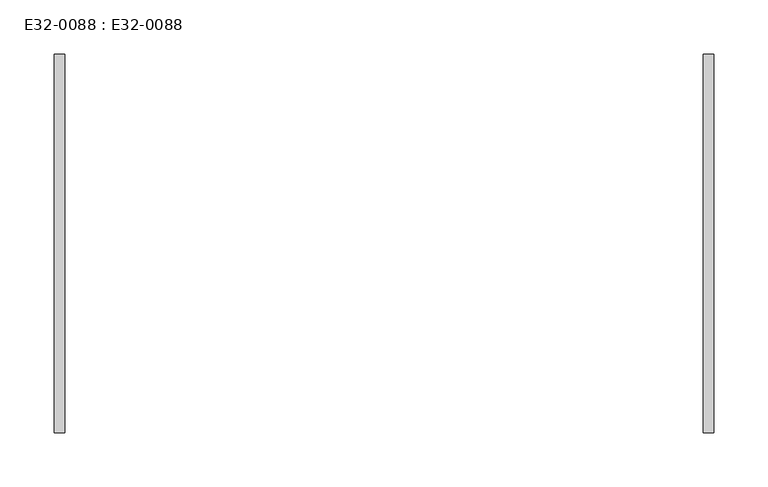
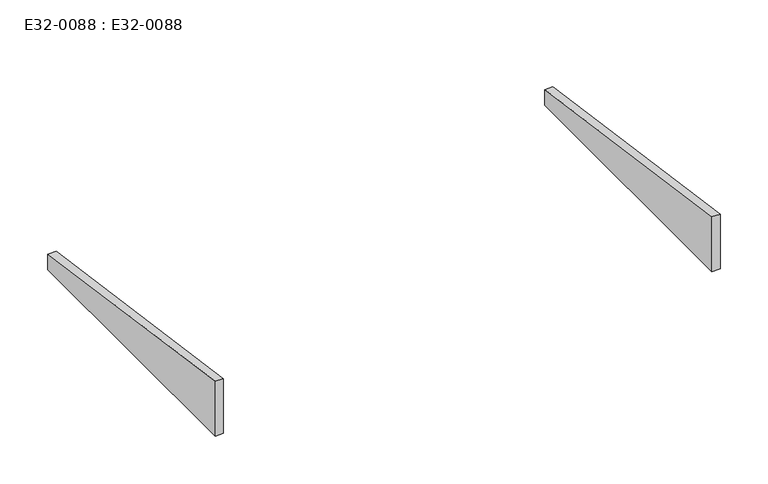
"""IFC4 building model written with IfcOpenShell, lengths in millimetres: furniture geometry, E32-0088 : E32-0088."""

import ifcopenshell
import ifcopenshell.guid

model = None  # the IFC model being written
_history = None  # IfcOwnerHistory: only IFC2X3 demands one
_inside = {}  # id of a spatial element -> (the spatial element, [elements in it])
_under = {}  # id of a project, library or spatial element -> (it, [spatial elements below it])
_declared = {}  # id of a project -> (the project, [libraries it declares])
_typed = {}  # id of a type object -> (the type object, [elements of that type])
_made_of = {}  # id of a material, layer set ... -> (it, [elements and type objects made of it])


def new_model(schema):
    """Start an empty IFC model of exactly this schema.

    Asked for "IFC4X3", IfcOpenShell would pick the latest addendum, in which some entities
    have other attributes; the version numbers below select the first issue.
    IFC2X3 requires an IfcOwnerHistory on every rooted entity: one is made here for all.
    """
    global model, _history
    if schema == "IFC4X3":
        model = ifcopenshell.file(schema_version=(4, 3, 0, 0))
    else:
        model = ifcopenshell.file(schema=schema)
    _inside.clear()
    _under.clear()
    _declared.clear()
    _typed.clear()
    _made_of.clear()
    _history = None
    if model.schema == "IFC2X3":
        org = make("IfcOrganization", Name="unknown")
        user = make(
            "IfcPersonAndOrganization",
            ThePerson=make("IfcPerson", FamilyName="unknown"),
            TheOrganization=org,
        )
        app = make(
            "IfcApplication",
            ApplicationDeveloper=org,
            Version="unknown",
            ApplicationFullName="unknown",
            ApplicationIdentifier="unknown",
        )
        _history = make(
            "IfcOwnerHistory",
            OwningUser=user,
            OwningApplication=app,
            ChangeAction="ADDED",
            CreationDate=0,
        )
    return model


def make(cls, **values):
    """One entity of the class cls with the attributes given. An attribute that is None is left unset."""
    return model.create_entity(
        cls, **{name: value for name, value in values.items() if value is not None}
    )


def rooted(cls, **values):
    """An entity with a GlobalId (a new one), such as an element, a storey or a relation."""
    return make(cls, GlobalId=ifcopenshell.guid.new(), OwnerHistory=_history, **values)


def si_unit(unit_type, name, prefix=None):
    """IfcSIUnit, for example si_unit("LENGTHUNIT", "METRE", prefix="MILLI")."""
    return make("IfcSIUnit", UnitType=unit_type, Prefix=prefix, Name=name)


def assignment(units):
    """IfcUnitAssignment: the units of a project."""
    return None if units is None else make("IfcUnitAssignment", Units=units)


def point(xyz):
    """IfcCartesianPoint."""
    return None if xyz is None else make("IfcCartesianPoint", Coordinates=xyz)


def direction(xyz):
    """IfcDirection."""
    return None if xyz is None else make("IfcDirection", DirectionRatios=xyz)


def frame(location, z_axis=None, x_axis=None):
    """IfcAxis2Placement3D, a coordinate frame: its origin and axes. An axis left out is left unset."""
    return make(
        "IfcAxis2Placement3D",
        Location=point(location),
        Axis=direction(z_axis),
        RefDirection=direction(x_axis),
    )


def origin():
    """The frame at (0, 0, 0) with its axes left unset."""
    return frame((0.0, 0.0, 0.0))


def place(relative_to, where):
    """IfcLocalPlacement: puts the frame where relative to a parent placement (None: the world)."""
    return make(
        "IfcLocalPlacement", PlacementRelTo=relative_to, RelativePlacement=where
    )


def context(
    kind, dimensions, precision=None, world=None, true_north=None, identifier=None
):
    """IfcGeometricRepresentationContext, for example the 3D "Model" context."""
    return make(
        "IfcGeometricRepresentationContext",
        ContextIdentifier=identifier,
        ContextType=kind,
        CoordinateSpaceDimension=dimensions,
        Precision=precision,
        WorldCoordinateSystem=world,
        TrueNorth=true_north,
    )


def project(units=None, contexts=None):
    """IfcProject with its units and contexts."""
    return rooted(
        "IfcProject",
        Name="project",
        RepresentationContexts=contexts,
        UnitsInContext=assignment(units),
    )


def spatial(cls, under=None, at=None, **own):
    """A site, building, storey or space (cls), placed at a placement, below another one or the project."""
    s = rooted(cls, ObjectPlacement=at, **own)
    if under is not None:
        _under.setdefault(under.id(), (under, []))[1].append(s)
    return s


def polyline(points):
    """IfcPolyline through the points."""
    return make("IfcPolyline", Points=[point(p) for p in points])


def outline(outer, holes=None, kind="AREA"):
    """IfcArbitraryClosedProfileDef: a profile drawn as a closed curve; with holes, ...WithVoids."""
    if holes is None:
        return make("IfcArbitraryClosedProfileDef", ProfileType=kind, OuterCurve=outer)
    return make(
        "IfcArbitraryProfileDefWithVoids",
        ProfileType=kind,
        OuterCurve=outer,
        InnerCurves=holes,
    )


def extrude(swept, where, along, depth):
    """IfcExtrudedAreaSolid: the profile swept, set in the frame where, extruded along a direction by depth."""
    return make(
        "IfcExtrudedAreaSolid",
        SweptArea=swept,
        Position=where,
        ExtrudedDirection=direction(along),
        Depth=depth,
    )


def shape(context_of_items, identifier, shape_type, items):
    """IfcShapeRepresentation: the items that make up one representation, for example the "Body"."""
    return make(
        "IfcShapeRepresentation",
        ContextOfItems=context_of_items,
        RepresentationIdentifier=identifier,
        RepresentationType=shape_type,
        Items=items,
    )


def source(mapping_origin, context_of_items, identifier, shape_type, items):
    """IfcRepresentationMap: a shape defined once, which mapped items show again and again."""
    return make(
        "IfcRepresentationMap",
        MappingOrigin=mapping_origin,
        MappedRepresentation=shape(context_of_items, identifier, shape_type, items),
    )


def transform(
    local_origin,
    x_axis=None,
    y_axis=None,
    z_axis=None,
    scale=None,
    scale2=None,
    scale3=None,
    uniform=True,
):
    """IfcCartesianTransformationOperator3D, or its non-uniform kind. x_axis, y_axis, z_axis: its Axis1, 2, 3."""
    if uniform:
        return make(
            "IfcCartesianTransformationOperator3D",
            Axis1=direction(x_axis),
            Axis2=direction(y_axis),
            LocalOrigin=point(local_origin),
            Scale=scale,
            Axis3=direction(z_axis),
        )
    return make(
        "IfcCartesianTransformationOperator3DnonUniform",
        Axis1=direction(x_axis),
        Axis2=direction(y_axis),
        LocalOrigin=point(local_origin),
        Scale=scale,
        Axis3=direction(z_axis),
        Scale2=scale2,
        Scale3=scale3,
    )


def mapped(mapping_source, mapping_target):
    """IfcMappedItem: shows the shape of a source again, moved by a transform."""
    return make(
        "IfcMappedItem", MappingSource=mapping_source, MappingTarget=mapping_target
    )


def made_of(thing, what):
    """Note that an element or type object is made of a material, layer set ...; save() writes the relation."""
    if what is not None:
        _made_of.setdefault(what.id(), (what, []))[1].append(thing)
    return thing


def element(
    cls,
    number,
    at=None,
    inside=None,
    cuts=None,
    type_object=None,
    material=None,
    context=None,
    identifier="Body",
    shape_type=None,
    held_by="IfcProductDefinitionShape",
    body=None,
    shapes=None,
    **own,
):
    """One element of the class cls, such as IfcWall. Its Tag is "e" and its number.

    at: its placement. inside: the storey or other place that contains it. cuts: it is an
    opening in that element (IfcRelVoidsElement). A single representation is given by context,
    identifier, shape_type and body (its items); several are given by shapes. held_by: the class
    of the entity that holds the representations. save() writes the other relations.
    """
    e = rooted(cls, Tag="e%d" % number, ObjectPlacement=at, **own)
    if body is not None:
        shapes = [shape(context, identifier, shape_type, body)]
    if shapes is not None:
        e.Representation = make(held_by, Representations=shapes)
    if inside is not None:
        _inside.setdefault(inside.id(), (inside, []))[1].append(e)
    if cuts is not None:
        rooted(
            "IfcRelVoidsElement", RelatingBuildingElement=cuts, RelatedOpeningElement=e
        )
    if type_object is not None:
        _typed.setdefault(type_object.id(), (type_object, []))[1].append(e)
    return made_of(e, material)


def aggregate(whole, parts):
    """IfcRelAggregates: a whole, such as a stair, and the parts it consists of."""
    return rooted("IfcRelAggregates", RelatingObject=whole, RelatedObjects=parts)


def save(model, path):
    """Write the relations noted so far, then the file.

    IfcRelAggregates (storeys below a building ...), IfcRelContainedInSpatialStructure (elements
    in a storey), IfcRelDefinesByType, IfcRelAssociatesMaterial and IfcRelDeclares: one each for
    every whole, place, type object, material and project.
    """
    for whole, parts in _under.values():
        aggregate(whole, parts)
    for where, things in _inside.values():
        rooted(
            "IfcRelContainedInSpatialStructure",
            RelatedElements=things,
            RelatingStructure=where,
        )
    for kind, things in _typed.values():
        rooted("IfcRelDefinesByType", RelatedObjects=things, RelatingType=kind)
    for what, things in _made_of.values():
        rooted("IfcRelAssociatesMaterial", RelatedObjects=things, RelatingMaterial=what)
    for by, libraries in _declared.values():
        rooted("IfcRelDeclares", RelatingContext=by, RelatedDefinitions=libraries)
    model.write(path)


def e32_0088_e32_0088_34a9bf94(model_context):
    return source(origin(), model_context, "Body", "SweptSolid", [
        extrude(outline(polyline([(175.0, 500.0), (-175.0, 500.0), (-175.0, 570.0), (175.0, 520.0), (175.0, 500.0)])), frame((-305.0, 0.0, 0.0), z_axis=(1.0, 0.0, 0.0), x_axis=(0.0, 1.0, 0.0)), (0.0, 0.0, 1.0), 10.0),
        extrude(outline(polyline([(175.0, 500.0), (-175.0, 500.0), (-175.0, 570.0), (175.0, 520.0), (175.0, 500.0)])), frame((295.0, 0.0, 0.0), z_axis=(1.0, 0.0, 0.0), x_axis=(0.0, 1.0, 0.0)), (0.0, 0.0, 1.0), 10.0),
    ])


if __name__ == "__main__":
    model = new_model("IFC4")
    model_context = context("Model", 3, world=origin())
    ifc_project = project(units=[si_unit("LENGTHUNIT", "METRE", prefix="MILLI")], contexts=[model_context])
    site = spatial("IfcSite", under=ifc_project)
    building = spatial("IfcBuilding", under=site)
    placement = place(None, origin())
    e32_0088_e32_0088_shape = e32_0088_e32_0088_34a9bf94(model_context)
    element("IfcFurniture", 1, ObjectType="E32-0088 : E32-0088", at=placement, inside=building, context=model_context, shape_type="MappedRepresentation", body=[
        mapped(e32_0088_e32_0088_shape, transform((0.0, 0.0, 0.0), x_axis=(1.0, 0.0, 0.0), y_axis=(0.0, 1.0, 0.0), z_axis=(0.0, 0.0, 1.0))),
    ])
    save(model, "model.ifc")
